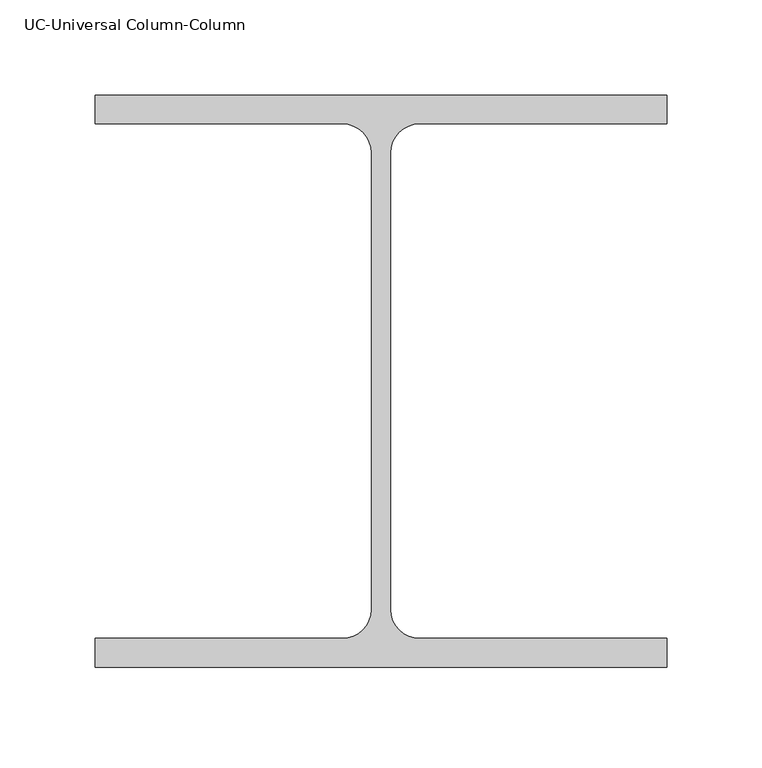
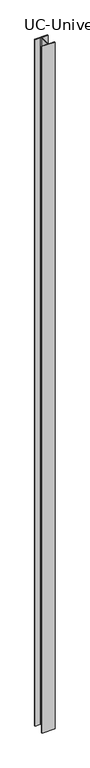
"""IFC4 building model written with IfcOpenShell, lengths in millimetres: column geometry, UC-Universal Column-Column."""

import ifcopenshell
import ifcopenshell.guid

model = None  # the IFC model being written
_history = None  # IfcOwnerHistory: only IFC2X3 demands one
_inside = {}  # id of a spatial element -> (the spatial element, [elements in it])
_under = {}  # id of a project, library or spatial element -> (it, [spatial elements below it])
_declared = {}  # id of a project -> (the project, [libraries it declares])
_typed = {}  # id of a type object -> (the type object, [elements of that type])
_made_of = {}  # id of a material, layer set ... -> (it, [elements and type objects made of it])


def new_model(schema):
    """Start an empty IFC model of exactly this schema.

    Asked for "IFC4X3", IfcOpenShell would pick the latest addendum, in which some entities
    have other attributes; the version numbers below select the first issue.
    IFC2X3 requires an IfcOwnerHistory on every rooted entity: one is made here for all.
    """
    global model, _history
    if schema == "IFC4X3":
        model = ifcopenshell.file(schema_version=(4, 3, 0, 0))
    else:
        model = ifcopenshell.file(schema=schema)
    _inside.clear()
    _under.clear()
    _declared.clear()
    _typed.clear()
    _made_of.clear()
    _history = None
    if model.schema == "IFC2X3":
        org = make("IfcOrganization", Name="unknown")
        user = make(
            "IfcPersonAndOrganization",
            ThePerson=make("IfcPerson", FamilyName="unknown"),
            TheOrganization=org,
        )
        app = make(
            "IfcApplication",
            ApplicationDeveloper=org,
            Version="unknown",
            ApplicationFullName="unknown",
            ApplicationIdentifier="unknown",
        )
        _history = make(
            "IfcOwnerHistory",
            OwningUser=user,
            OwningApplication=app,
            ChangeAction="ADDED",
            CreationDate=0,
        )
    return model


def make(cls, **values):
    """One entity of the class cls with the attributes given. An attribute that is None is left unset."""
    return model.create_entity(
        cls, **{name: value for name, value in values.items() if value is not None}
    )


def rooted(cls, **values):
    """An entity with a GlobalId (a new one), such as an element, a storey or a relation."""
    return make(cls, GlobalId=ifcopenshell.guid.new(), OwnerHistory=_history, **values)


def si_unit(unit_type, name, prefix=None):
    """IfcSIUnit, for example si_unit("LENGTHUNIT", "METRE", prefix="MILLI")."""
    return make("IfcSIUnit", UnitType=unit_type, Prefix=prefix, Name=name)


def assignment(units):
    """IfcUnitAssignment: the units of a project."""
    return None if units is None else make("IfcUnitAssignment", Units=units)


def point(xyz):
    """IfcCartesianPoint."""
    return None if xyz is None else make("IfcCartesianPoint", Coordinates=xyz)


def direction(xyz):
    """IfcDirection."""
    return None if xyz is None else make("IfcDirection", DirectionRatios=xyz)


def frame(location, z_axis=None, x_axis=None):
    """IfcAxis2Placement3D, a coordinate frame: its origin and axes. An axis left out is left unset."""
    return make(
        "IfcAxis2Placement3D",
        Location=point(location),
        Axis=direction(z_axis),
        RefDirection=direction(x_axis),
    )


def frame_2d(location, x_axis=None):
    """IfcAxis2Placement2D, a coordinate frame in the plane: its origin and x axis."""
    return make(
        "IfcAxis2Placement2D", Location=point(location), RefDirection=direction(x_axis)
    )


def origin():
    """The frame at (0, 0, 0) with its axes left unset."""
    return frame((0.0, 0.0, 0.0))


def place(relative_to, where):
    """IfcLocalPlacement: puts the frame where relative to a parent placement (None: the world)."""
    return make(
        "IfcLocalPlacement", PlacementRelTo=relative_to, RelativePlacement=where
    )


def context(
    kind, dimensions, precision=None, world=None, true_north=None, identifier=None
):
    """IfcGeometricRepresentationContext, for example the 3D "Model" context."""
    return make(
        "IfcGeometricRepresentationContext",
        ContextIdentifier=identifier,
        ContextType=kind,
        CoordinateSpaceDimension=dimensions,
        Precision=precision,
        WorldCoordinateSystem=world,
        TrueNorth=true_north,
    )


def project(units=None, contexts=None):
    """IfcProject with its units and contexts."""
    return rooted(
        "IfcProject",
        Name="project",
        RepresentationContexts=contexts,
        UnitsInContext=assignment(units),
    )


def spatial(cls, under=None, at=None, **own):
    """A site, building, storey or space (cls), placed at a placement, below another one or the project."""
    s = rooted(cls, ObjectPlacement=at, **own)
    if under is not None:
        _under.setdefault(under.id(), (under, []))[1].append(s)
    return s


def polyline(points):
    """IfcPolyline through the points."""
    return make("IfcPolyline", Points=[point(p) for p in points])


def circle_curve(where, radius):
    """IfcCircle in the frame where."""
    return make("IfcCircle", Position=where, Radius=radius)


def trimmed(basis, trim1, trim2, sense, master):
    """IfcTrimmedCurve: the piece of a basis curve between two trims."""
    return make(
        "IfcTrimmedCurve",
        BasisCurve=basis,
        Trim1=trim1,
        Trim2=trim2,
        SenseAgreement=sense,
        MasterRepresentation=master,
    )


def segment(curve, same_sense, transition):
    """IfcCompositeCurveSegment."""
    return make(
        "IfcCompositeCurveSegment",
        Transition=transition,
        SameSense=same_sense,
        ParentCurve=curve,
    )


def composite_curve(segments, self_intersect=None):
    """IfcCompositeCurve: segments joined end to end."""
    return make("IfcCompositeCurve", Segments=segments, SelfIntersect=self_intersect)


def outline(outer, holes=None, kind="AREA"):
    """IfcArbitraryClosedProfileDef: a profile drawn as a closed curve; with holes, ...WithVoids."""
    if holes is None:
        return make("IfcArbitraryClosedProfileDef", ProfileType=kind, OuterCurve=outer)
    return make(
        "IfcArbitraryProfileDefWithVoids",
        ProfileType=kind,
        OuterCurve=outer,
        InnerCurves=holes,
    )


def extrude(swept, where, along, depth):
    """IfcExtrudedAreaSolid: the profile swept, set in the frame where, extruded along a direction by depth."""
    return make(
        "IfcExtrudedAreaSolid",
        SweptArea=swept,
        Position=where,
        ExtrudedDirection=direction(along),
        Depth=depth,
    )


def shape(context_of_items, identifier, shape_type, items):
    """IfcShapeRepresentation: the items that make up one representation, for example the "Body"."""
    return make(
        "IfcShapeRepresentation",
        ContextOfItems=context_of_items,
        RepresentationIdentifier=identifier,
        RepresentationType=shape_type,
        Items=items,
    )


def source(mapping_origin, context_of_items, identifier, shape_type, items):
    """IfcRepresentationMap: a shape defined once, which mapped items show again and again."""
    return make(
        "IfcRepresentationMap",
        MappingOrigin=mapping_origin,
        MappedRepresentation=shape(context_of_items, identifier, shape_type, items),
    )


def transform(
    local_origin,
    x_axis=None,
    y_axis=None,
    z_axis=None,
    scale=None,
    scale2=None,
    scale3=None,
    uniform=True,
):
    """IfcCartesianTransformationOperator3D, or its non-uniform kind. x_axis, y_axis, z_axis: its Axis1, 2, 3."""
    if uniform:
        return make(
            "IfcCartesianTransformationOperator3D",
            Axis1=direction(x_axis),
            Axis2=direction(y_axis),
            LocalOrigin=point(local_origin),
            Scale=scale,
            Axis3=direction(z_axis),
        )
    return make(
        "IfcCartesianTransformationOperator3DnonUniform",
        Axis1=direction(x_axis),
        Axis2=direction(y_axis),
        LocalOrigin=point(local_origin),
        Scale=scale,
        Axis3=direction(z_axis),
        Scale2=scale2,
        Scale3=scale3,
    )


def mapped(mapping_source, mapping_target):
    """IfcMappedItem: shows the shape of a source again, moved by a transform."""
    return make(
        "IfcMappedItem", MappingSource=mapping_source, MappingTarget=mapping_target
    )


def made_of(thing, what):
    """Note that an element or type object is made of a material, layer set ...; save() writes the relation."""
    if what is not None:
        _made_of.setdefault(what.id(), (what, []))[1].append(thing)
    return thing


def element(
    cls,
    number,
    at=None,
    inside=None,
    cuts=None,
    type_object=None,
    material=None,
    context=None,
    identifier="Body",
    shape_type=None,
    held_by="IfcProductDefinitionShape",
    body=None,
    shapes=None,
    **own,
):
    """One element of the class cls, such as IfcWall. Its Tag is "e" and its number.

    at: its placement. inside: the storey or other place that contains it. cuts: it is an
    opening in that element (IfcRelVoidsElement). A single representation is given by context,
    identifier, shape_type and body (its items); several are given by shapes. held_by: the class
    of the entity that holds the representations. save() writes the other relations.
    """
    e = rooted(cls, Tag="e%d" % number, ObjectPlacement=at, **own)
    if body is not None:
        shapes = [shape(context, identifier, shape_type, body)]
    if shapes is not None:
        e.Representation = make(held_by, Representations=shapes)
    if inside is not None:
        _inside.setdefault(inside.id(), (inside, []))[1].append(e)
    if cuts is not None:
        rooted(
            "IfcRelVoidsElement", RelatingBuildingElement=cuts, RelatedOpeningElement=e
        )
    if type_object is not None:
        _typed.setdefault(type_object.id(), (type_object, []))[1].append(e)
    return made_of(e, material)


def aggregate(whole, parts):
    """IfcRelAggregates: a whole, such as a stair, and the parts it consists of."""
    return rooted("IfcRelAggregates", RelatingObject=whole, RelatedObjects=parts)


def save(model, path):
    """Write the relations noted so far, then the file.

    IfcRelAggregates (storeys below a building ...), IfcRelContainedInSpatialStructure (elements
    in a storey), IfcRelDefinesByType, IfcRelAssociatesMaterial and IfcRelDeclares: one each for
    every whole, place, type object, material and project.
    """
    for whole, parts in _under.values():
        aggregate(whole, parts)
    for where, things in _inside.values():
        rooted(
            "IfcRelContainedInSpatialStructure",
            RelatedElements=things,
            RelatingStructure=where,
        )
    for kind, things in _typed.values():
        rooted("IfcRelDefinesByType", RelatedObjects=things, RelatingType=kind)
    for what, things in _made_of.values():
        rooted("IfcRelAssociatesMaterial", RelatedObjects=things, RelatingMaterial=what)
    for by, libraries in _declared.values():
        rooted("IfcRelDeclares", RelatingContext=by, RelatedDefinitions=libraries)
    model.write(path)


def uc_universal_column_column_d612bee2(model_context):
    return source(origin(), model_context, "Body", "SweptSolid", [
        extrude(outline(composite_curve([segment(polyline([(150.0, 150.0), (150.0, 135.0), (20.2, 135.0)]), True, "CONTINUOUS"), segment(trimmed(circle_curve(frame_2d((20.2, 119.8)), 15.2), [point((20.2, 135.0))], [point((5.0, 119.8))], True, "CARTESIAN"), True, "CONTINUOUS"), segment(polyline([(5.0, 119.8), (5.0, -119.8)]), True, "CONTINUOUS"), segment(trimmed(circle_curve(frame_2d((20.2, -119.8)), 15.2), [point((5.0, -119.8))], [point((20.2, -135.0))], True, "CARTESIAN"), True, "CONTINUOUS"), segment(polyline([(20.2, -135.0), (150.0, -135.0), (150.0, -150.0), (-150.0, -150.0), (-150.0, -135.0), (-20.2, -135.0)]), True, "CONTINUOUS"), segment(trimmed(circle_curve(frame_2d((-20.2, -119.8)), 15.2), [point((-20.2, -135.0))], [point((-5.0, -119.8))], True, "CARTESIAN"), True, "CONTINUOUS"), segment(polyline([(-5.0, -119.8), (-5.0, 119.8)]), True, "CONTINUOUS"), segment(trimmed(circle_curve(frame_2d((-20.2, 119.8)), 15.2), [point((-5.0, 119.8))], [point((-20.2, 135.0))], True, "CARTESIAN"), True, "CONTINUOUS"), segment(polyline([(-20.2, 135.0), (-150.0, 135.0), (-150.0, 150.0), (150.0, 150.0)]), True, "CONTINUOUS")], self_intersect=False)), frame((0.0, 0.0, -10500.0), z_axis=(0.0, 0.0, 1.0), x_axis=(1.0, 0.0, 0.0)), (0.0, 0.0, 1.0), 17000.0),
    ])


if __name__ == "__main__":
    model = new_model("IFC4")
    model_context = context("Model", 3, world=origin())
    ifc_project = project(units=[si_unit("LENGTHUNIT", "METRE", prefix="MILLI")], contexts=[model_context])
    site = spatial("IfcSite", under=ifc_project)
    building = spatial("IfcBuilding", under=site)
    placement = place(None, origin())
    uc_universal_column_column_shape = uc_universal_column_column_d612bee2(model_context)
    element("IfcColumn", 1, ObjectType="UC-Universal Column-Column", at=placement, inside=building, context=model_context, shape_type="MappedRepresentation", body=[
        mapped(uc_universal_column_column_shape, transform((0.0, 0.0, 0.0), x_axis=(1.0, 0.0, 0.0), y_axis=(0.0, 1.0, 0.0), z_axis=(0.0, 0.0, 1.0))),
    ])
    save(model, "model.ifc")
